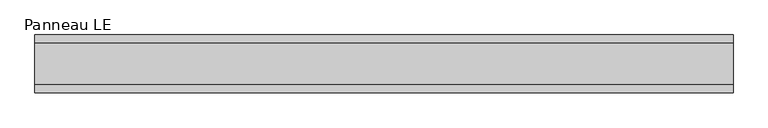
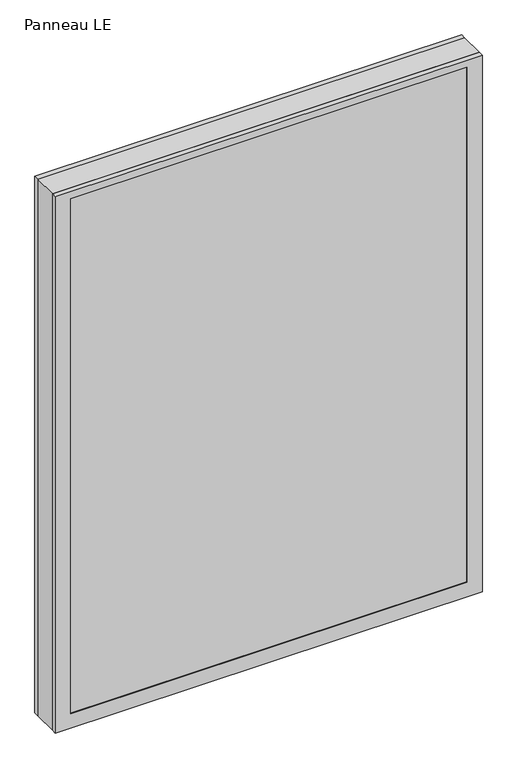
"""IFC4 building model written with IfcOpenShell, lengths in millimetres: plate geometry, Panneau LE."""

from ifc_helpers import new_model, si_unit, frame, origin, place, context, project, spatial, polyline, outline, extrude, faceted_brep, source, transform, mapped, element, save


def panneau_le_f54c94e0(model_context):
    return source(origin(), model_context, "Body", "SolidModel", [
        faceted_brep([(-544.8749999, 33.0, 1446.5), (-544.8749999, 45.0, 1446.5), (-544.8749999, 45.0, 0.0), (-544.8749999, 33.0, 0.0), (544.8749999, 33.0, 0.0), (544.8749999, 45.0, 0.0), (544.8749999, 45.0, 1446.5), (544.8749999, 33.0, 1446.5), (-505.8749999, 45.0, 1427.5), (-505.8749999, 45.0, 39.0), (505.8749999, 45.0, 39.0), (505.8749999, 45.0, 1427.5), (505.8749999, 43.8, 1427.5), (-505.8749999, 43.8, 1427.5), (-520.8749999, 43.8, 1442.5), (-520.8749999, 43.8, 24.0), (520.8749999, 43.8, 24.0), (520.8749999, 43.8, 1442.5), (505.8749999, 43.8, 39.0), (-505.8749999, 43.8, 39.0), (520.8749999, 33.0, 1442.5), (-520.8749999, 33.0, 1442.5), (520.8749999, 33.0, 24.0), (-520.8749999, 33.0, 24.0)], [[[0, 1, 2, 3]], [[4, 5, 6, 7]], [[6, 1, 0, 7]], [[2, 1, 6, 5], [8, 9, 10, 11]], [[8, 11, 12, 13]], [[14, 15, 16, 17], [13, 12, 18, 19]], [[14, 17, 20, 21]], [[0, 3, 4, 7], [20, 22, 23, 21]], [[23, 22, 16, 15]], [[19, 18, 10, 9]], [[4, 3, 2, 5]], [[21, 23, 15, 14]], [[13, 19, 9, 8]], [[18, 12, 11, 10]], [[22, 20, 17, 16]]]),
        faceted_brep([(-544.8749999, -33.0, 0.0), (-544.8749999, -45.0, 0.0), (-544.8749999, -45.0, 1446.5), (-544.8749999, -33.0, 1446.5), (544.8749999, -45.0, 0.0), (544.8749999, -33.0, 0.0), (544.8749999, -33.0, 1446.5), (544.8749999, -45.0, 1446.5), (505.8749999, -45.0, 1427.5), (505.8749999, -45.0, 39.0), (-505.8749999, -45.0, 39.0), (-505.8749999, -45.0, 1427.5), (-520.8749999, -33.0, 1442.5), (-520.8749999, -33.0, 24.0), (520.8749999, -33.0, 24.0), (520.8749999, -33.0, 1442.5), (520.8749999, -43.8, 1442.5), (-520.8749999, -43.8, 1442.5), (520.8749999, -43.8, 24.0), (-520.8749999, -43.8, 24.0), (-505.8749999, -43.8, 1427.5), (-505.8749999, -43.8, 39.0), (505.8749999, -43.8, 39.0), (505.8749999, -43.8, 1427.5)], [[[0, 1, 2, 3]], [[4, 5, 6, 7]], [[2, 1, 4, 7], [8, 9, 10, 11]], [[6, 3, 2, 7]], [[0, 3, 6, 5], [12, 13, 14, 15]], [[12, 15, 16, 17]], [[17, 16, 18, 19], [20, 21, 22, 23]], [[8, 11, 20, 23]], [[10, 9, 22, 21]], [[19, 18, 14, 13]], [[4, 1, 0, 5]], [[11, 10, 21, 20]], [[17, 19, 13, 12]], [[18, 16, 15, 14]], [[9, 8, 23, 22]]]),
        extrude(outline(polyline([(1446.5, 544.8749999), (1446.5, -544.8749999), (0.0, -544.8749999), (0.0, 544.8749999), (1446.5, 544.8749999)]), holes=[polyline([(46.0, -504.8749999), (1420.5, -504.8749999), (1420.5, 504.8749999), (46.0, 504.8749999), (46.0, -504.8749999)])]), frame((0.0, -33.0, 0.0), z_axis=(0.0, 1.0, 0.0), x_axis=(0.0, 0.0, 1.0)), (0.0, 0.0, 1.0), 66.0),
        extrude(outline(polyline([(520.8749999, 37.8), (-520.8749999, 37.8), (-520.8749999, 43.8), (520.8749999, 43.8), (520.8749999, 37.8)])), frame((0.0, 0.0, 24.0), z_axis=(0.0, 0.0, 1.0), x_axis=(1.0, 0.0, 0.0)), (0.0, 0.0, 1.0), 1418.5),
        extrude(outline(polyline([(-520.8749999, -43.8), (-520.8749999, -37.8), (520.8749999, -37.8), (520.8749999, -43.8), (-520.8749999, -43.8)])), frame((0.0, 0.0, 24.0), z_axis=(0.0, 0.0, 1.0), x_axis=(1.0, 0.0, 0.0)), (0.0, 0.0, 1.0), 1418.5),
    ])


if __name__ == "__main__":
    model = new_model("IFC4")
    model_context = context("Model", 3, world=origin())
    ifc_project = project(units=[si_unit("LENGTHUNIT", "METRE", prefix="MILLI")], contexts=[model_context])
    site = spatial("IfcSite", under=ifc_project)
    building = spatial("IfcBuilding", under=site)
    placement = place(None, origin())
    panneau_le_shape = panneau_le_f54c94e0(model_context)
    element("IfcPlate", 1, ObjectType="Panneau LE", at=placement, inside=building, context=model_context, shape_type="MappedRepresentation", body=[
        mapped(panneau_le_shape, transform((0.0, 0.0, 0.0), x_axis=(1.0, 0.0, 0.0), y_axis=(0.0, 1.0, 0.0), z_axis=(0.0, 0.0, 1.0))),
    ])
    save(model, "model.ifc")
